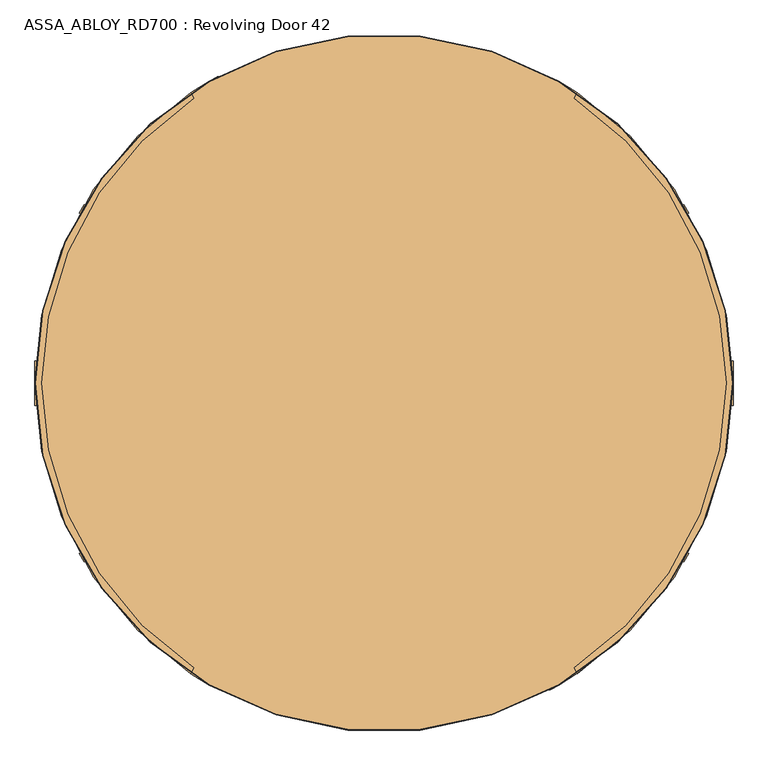
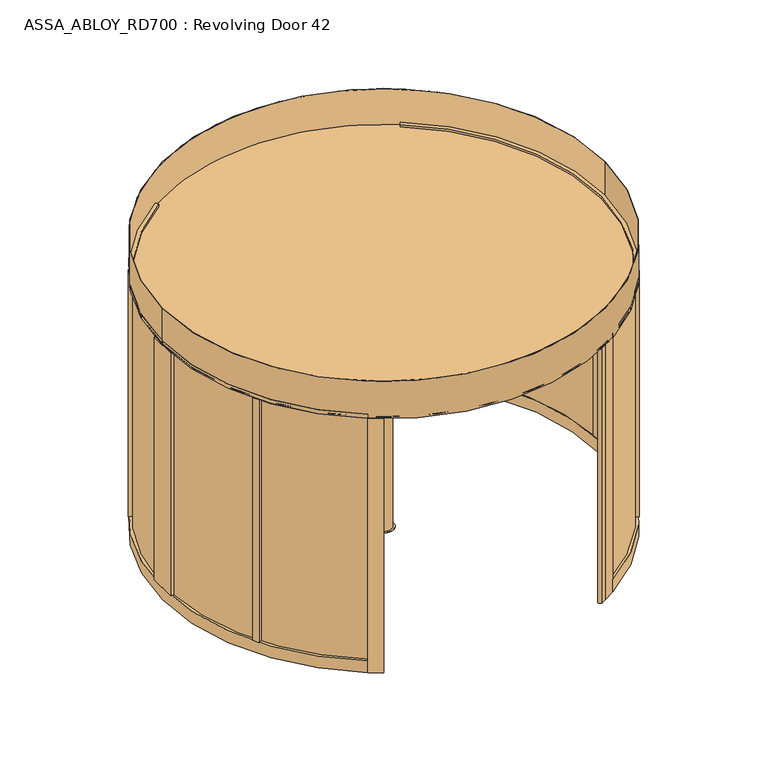
"""IFC4 building model written with IfcOpenShell, lengths in millimetres: door geometry, ASSA_ABLOY_RD700 : Revolving Door 42."""

from ifc_helpers import new_model, si_unit, point, frame, frame_2d, origin, origin_with_axes, origin_2d, place, context, project, spatial, polyline, circle_curve, trimmed, segment, composite_curve, outline, extrude, source, transform, mapped, element, save


def assa_abloy_rd700_revolving_door_42_c0660597(model_context):
    return source(origin(), model_context, "Body", "SweptSolid", [
        extrude(outline(polyline([(-21.1919362, 0.0), (0.0, 0.0), (1.2354289, -3.3526833), (-14.8894584, -17.1035441), (-15.8652682, -14.4554101), (-11.2716326, -10.6269535), (-14.2348715, -2.5853724), (-20.214336, -2.6529929), (-21.1919362, 0.0)]), holes=[polyline([(-11.7626281, -2.5849675), (-9.3848751, -9.0376682), (-1.6611384, -2.5160752), (-11.7626281, -2.5849675)])]), frame((-998.4366379, 1685.342985, 111.8848654), z_axis=(0.8660254037844455, 0.4999999999999883, 0.0), x_axis=(-0.17288098849125008, 0.29943865572958484, 0.9383222555567716)), (0.0, 0.0, 1.0), 2.0),
        extrude(outline(polyline([(-3.5121291, 0.0), (0.0, 0.0), (2.8187321, -2.6852579), (4.250422, -5.1162244), (5.5118808, -7.3434952), (7.3063201, -9.1972245), (9.3614355, -9.1814982), (11.0208469, -7.16163), (10.6514742, -3.4882218), (8.71119, 0.0484616), (6.0403681, 2.6484111), (9.0699595, 3.711135), (11.0920114, 1.0208017), (12.7977466, -2.5981572), (13.1300796, -8.3561656), (9.9996043, -11.7673438), (6.2388816, -11.6844271), (3.0893834, -8.4786223), (1.8238571, -6.2006453), (0.6628891, -4.2207409), (-0.9295188, -2.6144294), (-2.9863484, -2.6252693), (-4.8029446, -4.7524081), (-4.3562346, -8.76362), (-2.4447823, -12.1320668), (0.6567352, -15.0446471), (-2.5145629, -16.157079), (-4.8247981, -13.2083906), (-6.5093631, -9.6341389), (-7.2092232, -6.1919011), (-6.787432, -3.3659463), (-5.4926863, -1.2764387), (-3.5121291, 0.0)])), frame((-986.5717426, 1664.7923835, 100.999973), z_axis=(0.8660254037844455, 0.49999999999998834, 0.0), x_axis=(-0.16550355081008244, 0.286660558836129, 0.9436282629706535)), (0.0, 0.0, 1.0), 2.0),
        extrude(outline(polyline([(-3.5121291, 0.0), (0.0, 0.0), (2.8187321, -2.6852579), (4.250422, -5.1162244), (5.5118808, -7.3434952), (7.3063201, -9.1972245), (9.3614355, -9.1814982), (11.0208469, -7.1616301), (10.6514742, -3.4882218), (8.71119, 0.0484616), (6.0403681, 2.6484111), (9.0699595, 3.711135), (11.0920114, 1.0208017), (12.7977466, -2.5981572), (13.1300796, -8.3561656), (9.9996043, -11.7673438), (6.2388816, -11.6844271), (3.0893834, -8.4786223), (1.8238571, -6.2006453), (0.6628891, -4.2207409), (-0.9295188, -2.6144294), (-2.9863484, -2.6252693), (-4.8029446, -4.7524081), (-4.3562346, -8.76362), (-2.4447823, -12.1320668), (0.6567352, -15.0446471), (-2.5145629, -16.157079), (-4.8247981, -13.2083906), (-6.5093631, -9.6341389), (-7.2092232, -6.1919011), (-6.787432, -3.3659463), (-5.4926863, -1.2764387), (-3.5121291, 0.0)])), frame((-977.1264315, 1648.4326248, 100.999973), z_axis=(0.8660254037844455, 0.49999999999998834, 0.0), x_axis=(-0.16550355081008244, 0.286660558836129, 0.9436282629706535)), (0.0, 0.0, 1.0), 2.0),
        extrude(outline(polyline([(-21.1919362, 0.0), (0.0, 0.0), (1.2354289, -3.3526833), (-14.8894584, -17.1035442), (-15.8652682, -14.4554101), (-11.2716326, -10.6269535), (-14.2348715, -2.5853724), (-20.214336, -2.6529929), (-21.1919362, 0.0)]), holes=[polyline([(-11.7626281, -2.5849675), (-9.3848751, -9.0376682), (-1.6611384, -2.5160752), (-11.7626281, -2.5849675)])]), frame((-970.1007046, 1636.2637089, 111.8848654), z_axis=(0.8660254037844455, 0.4999999999999883, 0.0), x_axis=(-0.17288098849125008, 0.29943865572958484, 0.9383222555567716)), (0.0, 0.0, 1.0), 2.0),
        extrude(outline(polyline([(-21.1919362, 0.0), (0.0, 0.0), (1.2354289, -3.3526833), (-14.8894584, -17.1035441), (-15.8652682, -14.4554101), (-11.2716326, -10.6269535), (-14.2348715, -2.5853724), (-20.214336, -2.6529929), (-21.1919362, 0.0)]), holes=[polyline([(-11.7626281, -2.5849675), (-9.3848751, -9.0376682), (-1.6611384, -2.5160752), (-11.7626281, -2.5849675)])]), frame((-955.8498844, 1611.5805642, 111.8848654), z_axis=(0.8660254037844455, 0.4999999999999883, 0.0), x_axis=(-0.17288098849125008, 0.29943865572958484, 0.9383222555567716)), (0.0, 0.0, 1.0), 2.0),
        extrude(outline(polyline([(-3.6247797, -1e-07), (0.0, 0.0), (2.8147562, -2.4211002), (3.7068839, -0.0321767), (5.7320771, 1.441087), (7.9241126, 1.6554024), (9.8352433, 0.5920774), (11.1479956, -1.1951535), (12.3716711, -4.2930709), (14.3144162, -9.9880649), (-4.5055294, -16.408152), (-6.8194358, -9.6251298), (-7.5842828, -6.2202288), (-7.204982, -3.4426963), (-5.9232413, -1.3859292), (-3.6247797, -1e-07)]), holes=[polyline([(5.2214253, -2.9241787), (4.7734732, -6.6552626), (5.9304264, -10.0467736), (11.2627443, -8.2277489), (10.1960736, -5.1008934), (9.3653605, -2.9303688), (5.2214253, -2.9241787)]), polyline([(-2.8765906, -2.5461079), (-4.3679308, -3.4351118), (-5.1102533, -4.8838352), (-5.1175974, -6.8751818), (-4.336209, -9.7190964), (-3.1658807, -13.1498157), (3.7347661, -10.7957837), (2.347091, -6.7279309), (1.5099769, -4.5787397), (0.5832315, -3.1932876), (-0.9746904, -2.2912471), (-2.8765906, -2.5461079)])]), frame((-943.6574584, 1590.4626629, 101.561824), z_axis=(0.8660254037844455, 0.49999999999998823, 0.0), x_axis=(-0.16143149534181742, 0.2796075518738551, 0.9464457138403736)), (0.0, 0.0, 1.0), 2.0),
        extrude(outline(polyline([(-2.319901, 0.0), (0.0, 0.0), (0.0, -9.9424327), (17.5649644, -9.9424327), (17.5649644, -12.5937481), (-2.319901, -12.5937481), (-2.319901, 0.0)])), frame((-934.9526514, 1575.385495, 94.319901), z_axis=(0.8660254037844455, 0.49999999999998823, 0.0), x_axis=(0.0, 0.0, 1.0)), (0.0, 0.0, 1.0), 2.0),
        extrude(outline(polyline([(-3.4755122, 0.0), (0.0, 0.0), (3.5095377, -1.5864764), (6.1998493, -4.2905332), (7.4345588, -7.5668217), (7.0812776, -11.3109182), (5.1361655, -15.2239686), (2.1257687, -18.4422905), (-1.2097864, -20.048671), (-4.7147757, -20.0502836), (-8.2007386, -18.4707048), (-10.9175762, -15.7640054), (-12.1283676, -12.475947), (-11.7934802, -8.7947164), (-9.8417791, -4.8358203), (-6.8343334, -1.6217536), (-3.4755122, 0.0)]), holes=[polyline([(-7.663169, -6.3468237), (-9.5892894, -12.1951337), (-6.8871209, -16.5585186), (-1.8513939, -17.5618518), (2.9575554, -13.7129652), (4.8960978, -7.8921765), (2.1788995, -3.4868579), (-2.8864763, -2.494471), (-7.663169, -6.3468237)])]), frame((-927.6757746, 1562.7815745, 111.5197917), z_axis=(0.8660254037844455, 0.49999999999998834, 0.0), x_axis=(-0.4108545755708544, 0.711620999410889, 0.5699070721880373)), (0.0, 0.0, 1.0), 2.0),
        extrude(outline(polyline([(-3.1691504, 0.0), (0.0, 0.0), (5.4320896, -8.8964059), (10.9211409, 0.0), (14.0643996, 0.0), (6.7732823, -11.4441543), (6.7732823, -19.8848654), (4.1219669, -19.8848654), (4.1219669, -11.1645234), (-3.1691504, 0.0)])), frame((-917.1494829, 1544.5495024, 111.8848654), z_axis=(0.8660254037844455, 0.49999999999998823, 0.0), x_axis=(-0.49999999999998823, 0.8660254037844455, 0.0)), (0.0, 0.0, 1.0), 2.0),
        extrude(outline(polyline([(21.1919362, 0.0), (20.214336, -2.6529929), (14.2348715, -2.5853724), (11.2716326, -10.6269535), (15.8652682, -14.4554101), (14.8894584, -17.1035441), (-1.2354289, -3.3526833), (0.0, 0.0), (21.1919362, 0.0)]), holes=[polyline([(11.7626281, -2.5849675), (1.6611384, -2.5160752), (9.3848751, -9.0376682), (11.7626281, -2.5849675)])]), frame((-884.9734689, 1572.8190114, 111.8848654), z_axis=(0.8660254037844423, 0.4999999999999939, 0.0), x_axis=(-0.172880988491252, 0.2994386557295837, -0.9383222555567716)), (0.0, 0.0, 1.0), 2.0),
        extrude(outline(polyline([(3.5121291, 0.0), (5.4926863, -1.2764387), (6.787432, -3.3659463), (7.2092232, -6.1919012), (6.5093631, -9.6341389), (4.8247981, -13.2083906), (2.5145629, -16.1570791), (-0.6567353, -15.0446472), (2.4447822, -12.1320668), (4.3562346, -8.76362), (4.8029446, -4.7524082), (2.9863484, -2.6252693), (0.9295188, -2.6144294), (-0.6628891, -4.2207409), (-1.8238571, -6.2006453), (-3.0893834, -8.4786223), (-6.2388815, -11.6844271), (-9.9996043, -11.7673439), (-13.1300796, -8.3561656), (-12.7977466, -2.5981572), (-11.0920114, 1.0208017), (-9.0699595, 3.711135), (-6.0403681, 2.6484111), (-8.71119, 0.0484617), (-10.6514742, -3.4882218), (-11.0208469, -7.1616301), (-9.3614355, -9.1814983), (-7.3063201, -9.1972246), (-5.5118808, -7.3434952), (-4.250422, -5.1162245), (-2.8187321, -2.6852579), (0.0, 0.0), (3.5121291, 0.0)])), frame((-896.8383642, 1593.3696129, 100.999973), z_axis=(0.8660254037844424, 0.49999999999999384, 0.0), x_axis=(-0.16550355081008428, 0.28666055883612795, -0.9436282629706535)), (0.0, 0.0, 1.0), 2.0),
        extrude(outline(polyline([(3.5121291, 0.0), (5.4926863, -1.2764387), (6.787432, -3.3659463), (7.2092232, -6.1919012), (6.5093631, -9.6341389), (4.824798, -13.2083907), (2.5145629, -16.1570791), (-0.6567353, -15.0446472), (2.4447822, -12.1320668), (4.3562346, -8.76362), (4.8029446, -4.7524082), (2.9863484, -2.6252693), (0.9295188, -2.6144294), (-0.6628891, -4.2207409), (-1.8238571, -6.2006453), (-3.0893834, -8.4786223), (-6.2388815, -11.6844271), (-9.9996043, -11.7673439), (-13.1300796, -8.3561656), (-12.7977466, -2.5981572), (-11.0920114, 1.0208016), (-9.0699595, 3.711135), (-6.0403681, 2.6484111), (-8.71119, 0.0484617), (-10.6514742, -3.4882218), (-11.0208469, -7.1616301), (-9.3614355, -9.1814983), (-7.3063201, -9.1972246), (-5.5118808, -7.3434952), (-4.250422, -5.1162245), (-2.8187321, -2.6852579), (0.0, 0.0), (3.5121291, 0.0)])), frame((-906.2836753, 1609.7293716, 100.999973), z_axis=(0.8660254037844424, 0.49999999999999384, 0.0), x_axis=(-0.16550355081008428, 0.28666055883612795, -0.9436282629706535)), (0.0, 0.0, 1.0), 2.0),
        extrude(outline(polyline([(21.1919362, 0.0), (20.214336, -2.6529929), (14.2348715, -2.5853723), (11.2716326, -10.6269535), (15.8652682, -14.4554101), (14.8894584, -17.103544), (-1.2354289, -3.3526833), (0.0, 0.0), (21.1919362, 0.0)]), holes=[polyline([(11.7626281, -2.5849674), (1.6611384, -2.5160752), (9.3848751, -9.0376682), (11.7626281, -2.5849674)])]), frame((-913.3094021, 1621.8982875, 111.8848654), z_axis=(0.8660254037844423, 0.4999999999999939, 0.0), x_axis=(-0.172880988491252, 0.2994386557295837, -0.9383222555567716)), (0.0, 0.0, 1.0), 2.0),
        extrude(outline(polyline([(21.1919362, 0.0), (20.214336, -2.6529929), (14.2348715, -2.5853724), (11.2716326, -10.6269535), (15.8652682, -14.4554101), (14.8894584, -17.1035441), (-1.2354289, -3.3526833), (0.0, 0.0), (21.1919362, 0.0)]), holes=[polyline([(11.7626281, -2.5849675), (1.6611384, -2.5160752), (9.3848751, -9.0376682), (11.7626281, -2.5849675)])]), frame((-927.5602224, 1646.5814322, 111.8848654), z_axis=(0.8660254037844423, 0.4999999999999939, 0.0), x_axis=(-0.172880988491252, 0.2994386557295837, -0.9383222555567716)), (0.0, 0.0, 1.0), 2.0),
        extrude(outline(polyline([(3.6247797, -1e-07), (5.9232413, -1.3859292), (7.204982, -3.4426963), (7.5842828, -6.2202288), (6.8194358, -9.6251298), (4.5055294, -16.4081519), (-14.3144162, -9.9880648), (-12.3716711, -4.2930708), (-11.1479956, -1.1951535), (-9.8352432, 0.5920774), (-7.9241126, 1.6554025), (-5.7320771, 1.441087), (-3.7068839, -0.0321766), (-2.8147562, -2.4211002), (0.0, 0.0), (3.6247797, -1e-07)]), holes=[polyline([(-5.2214253, -2.9241787), (-9.3653605, -2.9303688), (-10.1960736, -5.1008933), (-11.2627443, -8.2277488), (-5.9304264, -10.0467735), (-4.7734732, -6.6552625), (-5.2214253, -2.9241787)]), polyline([(2.8765906, -2.5461079), (0.9746905, -2.291247), (-0.5832315, -3.1932876), (-1.5099769, -4.5787397), (-2.347091, -6.7279308), (-3.734766, -10.7957837), (3.1658807, -13.1498156), (4.3362091, -9.7190964), (5.1175974, -6.8751818), (5.1102534, -4.8838351), (4.3679308, -3.4351117), (2.8765906, -2.5461079)])]), frame((-939.7526483, 1667.6993335, 101.561824), z_axis=(0.8660254037844424, 0.49999999999999384, 0.0), x_axis=(-0.16143149534181922, 0.27960755187385405, -0.9464457138403736)), (0.0, 0.0, 1.0), 2.0),
        extrude(outline(polyline([(2.319901, 0.0), (2.319901, -12.5937481), (-17.5649644, -12.5937481), (-17.5649644, -9.9424327), (0.0, -9.9424327), (0.0, 0.0), (2.319901, 0.0)])), frame((-948.4574553, 1682.7765014, 94.319901), z_axis=(0.8660254037844423, 0.49999999999999384, 0.0), x_axis=(0.0, 0.0, -1.0)), (0.0, 0.0, 1.0), 2.0),
        extrude(outline(polyline([(3.4755122, 0.0), (6.8343334, -1.6217536), (9.8417791, -4.8358203), (11.7934802, -8.7947164), (12.1283676, -12.475947), (10.9175762, -15.7640054), (8.2007386, -18.4707048), (4.7147757, -20.0502836), (1.2097864, -20.048671), (-2.1257687, -18.4422905), (-5.1361655, -15.2239686), (-7.0812776, -11.3109182), (-7.4345587, -7.5668217), (-6.1998493, -4.2905332), (-3.5095377, -1.5864764), (0.0, 0.0), (3.4755122, 0.0)]), holes=[polyline([(7.663169, -6.3468237), (2.8864763, -2.494471), (-2.1788995, -3.4868579), (-4.8960978, -7.8921765), (-2.9575554, -13.7129652), (1.8513939, -17.5618518), (6.8871209, -16.5585186), (9.5892893, -12.1951337), (7.663169, -6.3468237)])]), frame((-955.7343322, 1695.3804219, 111.5197917), z_axis=(0.8660254037844421, 0.49999999999999384, 0.0), x_axis=(-0.410854575570859, 0.7116209994108863, -0.5699070721880373)), (0.0, 0.0, 1.0), 2.0),
        extrude(outline(polyline([(3.1691504, 0.0), (-4.1219669, -11.1645234), (-4.1219669, -19.8848654), (-6.7732822, -19.8848654), (-6.7732822, -11.4441543), (-14.0643996, 0.0), (-10.921141, 0.0), (-5.4320896, -8.8964059), (0.0, 0.0), (3.1691504, 0.0)])), frame((-966.2606239, 1713.612494, 111.8848654), z_axis=(0.8660254037844423, 0.49999999999999384, 0.0), x_axis=(-0.49999999999999384, 0.8660254037844423, 0.0)), (0.0, 0.0, 1.0), 2.0),
        extrude(outline(polyline([(26.6515221, 0.0), (0.0, 0.0), (0.0, -39.5498894), (-13.9731118, -39.4978266), (-35.4734857, -27.0878672), (-65.7800894, 7.1605958), (-57.4313185, 25.5557642), (-24.0034278, 19.9844491), (26.6515221, 0.0)])), frame((-412.8205081, 675.0260944, 42.0), z_axis=(-0.4999999999999939, 0.8660254037844421, 0.0), x_axis=(0.8660254037844421, 0.4999999999999939, 0.0)), (0.0, 0.0, 1.0), 1259.0),
        extrude(outline(polyline([(33.1204549, 0.0), (0.0, 0.0), (0.0, -37.4557851), (-13.0431775, -37.4022447), (-28.8456008, -22.8930528), (-37.5120241, -2.8258245), (-41.1595702, 16.5838424), (-29.2477892, 28.4956234), (33.1204549, 0.0)])), frame((-56.3205081, 57.5499815, 42.0), z_axis=(-0.4999999999999939, 0.8660254037844421, 0.0), x_axis=(0.8660254037844421, 0.4999999999999939, 0.0)), (0.0, 0.0, 1.0), 713.0),
        extrude(outline(polyline([(-1019.2396129, 1778.6778388), (-1042.3205081, 1765.3520778), (-1022.5455634, 1731.1008688), (-1034.6726646, 1724.1594005), (-1059.4975143, 1724.1565537), (-1102.8680345, 1738.663291), (-1104.835371, 1758.7683595), (-1073.1003109, 1770.6574044), (-1019.2396129, 1778.6778388)])), origin_with_axes(), (0.0, 0.0, 1.0), 2600.0),
        extrude(outline(composite_curve([segment(polyline([(-1050.0, 1818.6533479), (-1070.0, 1853.2943641)]), True, "CONTINUOUS"), segment(trimmed(circle_curve(origin_2d(), 2140.0), [point((-1070.0, 1853.2943641))], [point((-1026.4066339, 1877.7884391))], False, "CARTESIAN"), True, "CONTINUOUS"), segment(trimmed(circle_curve(frame_2d((-1016.8087591, 1860.2293376)), 20.011028), [point((-1026.4066339, 1877.7884391))], [point((-1006.4010686, 1843.1377836))], False, "CARTESIAN"), True, "CONTINUOUS"), segment(trimmed(circle_curve(origin_2d(), 2100.0), [point((-1006.4010686, 1843.1377836))], [point((-1050.0, 1818.6533479))], True, "CARTESIAN"), True, "CONTINUOUS")], self_intersect=False)), origin_with_axes(), (0.0, 0.0, 1.0), 2600.0),
        extrude(outline(composite_curve([segment(polyline([(1050.0, -1818.6533479), (1070.0, -1853.2943641)]), True, "CONTINUOUS"), segment(trimmed(circle_curve(origin_2d(), 2140.0), [point((1070.0, -1853.2943641))], [point((1026.4066339, -1877.7884391))], False, "CARTESIAN"), True, "CONTINUOUS"), segment(trimmed(circle_curve(frame_2d((1016.8087591, -1860.2293376)), 20.011028), [point((1026.4066339, -1877.7884391))], [point((1006.4010686, -1843.1377836))], False, "CARTESIAN"), True, "CONTINUOUS"), segment(trimmed(circle_curve(origin_2d(), 2100.0), [point((1006.4010686, -1843.1377836))], [point((1050.0, -1818.6533479))], True, "CARTESIAN"), True, "CONTINUOUS")], self_intersect=False)), origin_with_axes(), (0.0, 0.0, 1.0), 2600.0),
        extrude(outline(composite_curve([segment(trimmed(circle_curve(origin_2d(), 2126.0), [point((-2126.0, 0.0))], [point((2126.0, 0.0))], False, "CARTESIAN"), True, "CONTINUOUS"), segment(trimmed(circle_curve(origin_2d(), 2126.0), [point((2126.0, 0.0))], [point((-2126.0, 0.0))], False, "CARTESIAN"), True, "CONTINUOUS")], self_intersect=False)), frame((0.0, 0.0, 2600.0), z_axis=(0.0, 0.0, 1.0), x_axis=(1.0, 0.0, 0.0)), (0.0, 0.0, 1.0), 16.0),
        extrude(outline(composite_curve([segment(polyline([(-1185.6165211, 1781.3414775), (-1165.5752365, 1746.6289543)]), True, "CONTINUOUS"), segment(trimmed(circle_curve(frame_2d((0.0, -0.2065754)), 2100.0), [point((-1165.5752365, 1746.6289543))], [point((-1165.5752365, -1747.0421051))], True, "CARTESIAN"), True, "CONTINUOUS"), segment(polyline([(-1165.5752365, -1747.0421051), (-1185.6165211, -1781.7546283)]), True, "CONTINUOUS"), segment(trimmed(circle_curve(frame_2d((0.0, -0.2065754)), 2140.0), [point((-1185.6165211, -1781.7546283))], [point((-1185.6165211, 1781.3414775))], False, "CARTESIAN"), True, "CONTINUOUS")], self_intersect=False)), frame((0.0, 0.0, 2603.0), z_axis=(0.0, 0.0, 1.0), x_axis=(1.0, 0.0, 0.0)), (0.0, 0.0, 1.0), 40.0),
        extrude(outline(composite_curve([segment(polyline([(-1185.6165211, -1781.7546283), (-1165.5752365, -1747.0421051)]), True, "CONTINUOUS"), segment(trimmed(circle_curve(frame_2d((0.0, -0.2065754)), 2100.0), [point((-1165.5752365, -1747.0421051))], [point((-1050.0, -1818.8599234))], True, "CARTESIAN"), True, "CONTINUOUS"), segment(polyline([(-1050.0, -1818.8599234), (-1070.0, -1853.5009395)]), True, "CONTINUOUS"), segment(trimmed(circle_curve(frame_2d((0.0, -0.2065754)), 2140.0), [point((-1070.0, -1853.5009395))], [point((-1185.6165211, -1781.7546283))], False, "CARTESIAN"), True, "CONTINUOUS")], self_intersect=False)), frame((0.0, 0.0, 3.0), z_axis=(0.0, 0.0, 1.0), x_axis=(1.0, 0.0, 0.0)), (0.0, 0.0, 1.0), 2600.0),
        extrude(outline(composite_curve([segment(polyline([(-1070.0, 1853.0877887), (-1050.0, 1818.4467725)]), True, "CONTINUOUS"), segment(trimmed(circle_curve(frame_2d((0.0, -0.2065754)), 2100.0), [point((-1050.0, 1818.4467725))], [point((-1165.5752365, 1746.6289543))], True, "CARTESIAN"), True, "CONTINUOUS"), segment(polyline([(-1165.5752365, 1746.6289543), (-1185.6165211, 1781.3414775)]), True, "CONTINUOUS"), segment(trimmed(circle_curve(frame_2d((0.0, -0.2065754)), 2140.0), [point((-1185.6165211, 1781.3414775))], [point((-1070.0, 1853.0877887))], False, "CARTESIAN"), True, "CONTINUOUS")], self_intersect=False)), frame((0.0, 0.0, 3.0), z_axis=(0.0, 0.0, 1.0), x_axis=(1.0, 0.0, 0.0)), (0.0, 0.0, 1.0), 2600.0),
        extrude(outline(composite_curve([segment(polyline([(-2108.6187422, -136.2065754), (-2100.6020566, -136.2065754)]), True, "CONTINUOUS"), segment(trimmed(circle_curve(frame_2d((0.0, -0.2065754)), 2105.0), [point((-2100.6020566, -136.2065754))], [point((-1168.0804832, -1751.3813196))], True, "CARTESIAN"), True, "CONTINUOUS"), segment(polyline([(-1168.0804832, -1751.3813196), (-1172.088826, -1758.3239731)]), True, "CONTINUOUS"), segment(trimmed(circle_curve(frame_2d((0.0, -0.2065754)), 2113.0), [point((-1172.088826, -1758.3239731))], [point((-2108.6187422, -136.2065754))], False, "CARTESIAN"), True, "CONTINUOUS")], self_intersect=False)), frame((0.0, 0.0, 123.0), z_axis=(0.0, 0.0, 1.0), x_axis=(1.0, 0.0, 0.0)), (0.0, 0.0, 1.0), 2480.0),
        extrude(outline(composite_curve([segment(polyline([(-1172.088826, 1757.9108222), (-1168.0804832, 1750.9681688)]), True, "CONTINUOUS"), segment(trimmed(circle_curve(frame_2d((0.0, -0.2065754)), 2105.0), [point((-1168.0804832, 1750.9681688))], [point((-2100.6020566, 135.7934246))], True, "CARTESIAN"), True, "CONTINUOUS"), segment(polyline([(-2100.6020566, 135.7934246), (-2108.6187422, 135.7934246)]), True, "CONTINUOUS"), segment(trimmed(circle_curve(frame_2d((0.0, -0.2065754)), 2113.0), [point((-2108.6187422, 135.7934246))], [point((-1172.088826, 1757.9108222))], False, "CARTESIAN"), True, "CONTINUOUS")], self_intersect=False)), frame((0.0, 0.0, 123.0), z_axis=(0.0, 0.0, 1.0), x_axis=(1.0, 0.0, 0.0)), (0.0, 0.0, 1.0), 2480.0),
        extrude(outline(polyline([(-2140.0, -136.2065754), (-2140.0, 135.7934246), (-2100.0, 135.7934246), (-2100.0, -136.2065754), (-2140.0, -136.2065754)])), frame((0.0, 0.0, 123.0), z_axis=(0.0, 0.0, 1.0), x_axis=(1.0, 0.0, 0.0)), (0.0, 0.0, 1.0), 2480.0),
        extrude(outline(composite_curve([segment(polyline([(-1185.6165211, 1781.3414775), (-1165.5752365, 1746.6289543)]), True, "CONTINUOUS"), segment(trimmed(circle_curve(frame_2d((0.0, -0.2065754)), 2100.0), [point((-1165.5752365, 1746.6289543))], [point((-1165.5752365, -1747.0421051))], True, "CARTESIAN"), True, "CONTINUOUS"), segment(polyline([(-1165.5752365, -1747.0421051), (-1185.6165211, -1781.7546283)]), True, "CONTINUOUS"), segment(trimmed(circle_curve(frame_2d((0.0, -0.2065754)), 2140.0), [point((-1185.6165211, -1781.7546283))], [point((-1185.6165211, 1781.3414775))], False, "CARTESIAN"), True, "CONTINUOUS")], self_intersect=False)), frame((0.0, 0.0, 3.0), z_axis=(0.0, 0.0, 1.0), x_axis=(1.0, 0.0, 0.0)), (0.0, 0.0, 1.0), 120.0),
        extrude(outline(composite_curve([segment(trimmed(circle_curve(frame_2d((0.0, -0.2065754)), 2140.0), [point((-1838.112247, -1096.0821922))], [point((-1868.112247, -1044.1206679))], False, "CARTESIAN"), True, "CONTINUOUS"), segment(polyline([(-1868.112247, -1044.1206679), (-1833.4677616, -1024.118665)]), True, "CONTINUOUS"), segment(trimmed(circle_curve(frame_2d((0.0, -0.2065754)), 2100.0), [point((-1833.4677616, -1024.118665))], [point((-1803.4677616, -1076.0801892))], True, "CARTESIAN"), True, "CONTINUOUS"), segment(polyline([(-1803.4677616, -1076.0801892), (-1838.112247, -1096.0821922)]), True, "CONTINUOUS")], self_intersect=False)), frame((0.0, 0.0, 123.0), z_axis=(0.0, 0.0, 1.0), x_axis=(1.0, 0.0, 0.0)), (0.0, 0.0, 1.0), 2480.0),
        extrude(outline(composite_curve([segment(polyline([(-1838.112247, 1095.6690414), (-1803.4677616, 1075.6670384)]), True, "CONTINUOUS"), segment(trimmed(circle_curve(frame_2d((0.0, -0.2065754)), 2100.0), [point((-1803.4677616, 1075.6670384))], [point((-1833.4677616, 1023.7055142))], True, "CARTESIAN"), True, "CONTINUOUS"), segment(polyline([(-1833.4677616, 1023.7055142), (-1868.112247, 1043.7075171)]), True, "CONTINUOUS"), segment(trimmed(circle_curve(frame_2d((0.0, -0.2065754)), 2140.0), [point((-1868.112247, 1043.7075171))], [point((-1838.112247, 1095.6690414))], False, "CARTESIAN"), True, "CONTINUOUS")], self_intersect=False)), frame((0.0, 0.0, 123.0), z_axis=(0.0, 0.0, 1.0), x_axis=(1.0, 0.0, 0.0)), (0.0, 0.0, 1.0), 2480.0),
        extrude(outline(composite_curve([segment(trimmed(circle_curve(origin_2d(), 2140.0), [point((1185.6165211, 1781.5480529))], [point((1185.6165211, -1781.5480529))], False, "CARTESIAN"), True, "CONTINUOUS"), segment(polyline([(1185.6165211, -1781.5480529), (1165.5752365, -1746.8355297)]), True, "CONTINUOUS"), segment(trimmed(circle_curve(origin_2d(), 2100.0), [point((1165.5752365, -1746.8355297))], [point((1165.5752365, 1746.8355297))], True, "CARTESIAN"), True, "CONTINUOUS"), segment(polyline([(1165.5752365, 1746.8355297), (1185.6165211, 1781.5480529)]), True, "CONTINUOUS")], self_intersect=False)), frame((0.0, 0.0, 2600.0), z_axis=(0.0, 0.0, 1.0), x_axis=(1.0, 0.0, 0.0)), (0.0, 0.0, 1.0), 40.0),
        extrude(outline(composite_curve([segment(trimmed(circle_curve(origin_2d(), 2140.0), [point((1185.6165211, -1781.5480529))], [point((1070.0, -1853.2943641))], False, "CARTESIAN"), True, "CONTINUOUS"), segment(polyline([(1070.0, -1853.2943641), (1050.0, -1818.6533479)]), True, "CONTINUOUS"), segment(trimmed(circle_curve(origin_2d(), 2100.0), [point((1050.0, -1818.6533479))], [point((1165.5752365, -1746.8355297))], True, "CARTESIAN"), True, "CONTINUOUS"), segment(polyline([(1165.5752365, -1746.8355297), (1185.6165211, -1781.5480529)]), True, "CONTINUOUS")], self_intersect=False)), origin_with_axes(), (0.0, 0.0, 1.0), 2600.0),
        extrude(outline(composite_curve([segment(trimmed(circle_curve(origin_2d(), 2140.0), [point((1070.0, 1853.2943641))], [point((1185.6165211, 1781.5480529))], False, "CARTESIAN"), True, "CONTINUOUS"), segment(polyline([(1185.6165211, 1781.5480529), (1165.5752365, 1746.8355297)]), True, "CONTINUOUS"), segment(trimmed(circle_curve(origin_2d(), 2100.0), [point((1165.5752365, 1746.8355297))], [point((1050.0, 1818.6533479))], True, "CARTESIAN"), True, "CONTINUOUS"), segment(polyline([(1050.0, 1818.6533479), (1070.0, 1853.2943641)]), True, "CONTINUOUS")], self_intersect=False)), origin_with_axes(), (0.0, 0.0, 1.0), 2600.0),
        extrude(outline(composite_curve([segment(trimmed(circle_curve(origin_2d(), 2113.0), [point((2108.6187422, -136.0))], [point((1172.088826, -1758.1173977))], False, "CARTESIAN"), True, "CONTINUOUS"), segment(polyline([(1172.088826, -1758.1173977), (1168.0804832, -1751.1747442)]), True, "CONTINUOUS"), segment(trimmed(circle_curve(origin_2d(), 2105.0), [point((1168.0804832, -1751.1747442))], [point((2100.6020566, -136.0))], True, "CARTESIAN"), True, "CONTINUOUS"), segment(polyline([(2100.6020566, -136.0), (2108.6187422, -136.0)]), True, "CONTINUOUS")], self_intersect=False)), frame((0.0, 0.0, 120.0), z_axis=(0.0, 0.0, 1.0), x_axis=(1.0, 0.0, 0.0)), (0.0, 0.0, 1.0), 2480.0),
        extrude(outline(composite_curve([segment(trimmed(circle_curve(origin_2d(), 2113.0), [point((1172.088826, 1758.1173976))], [point((2108.6187422, 136.0))], False, "CARTESIAN"), True, "CONTINUOUS"), segment(polyline([(2108.6187422, 136.0), (2100.6020566, 136.0)]), True, "CONTINUOUS"), segment(trimmed(circle_curve(origin_2d(), 2105.0), [point((2100.6020566, 136.0))], [point((1168.0804832, 1751.1747442))], True, "CARTESIAN"), True, "CONTINUOUS"), segment(polyline([(1168.0804832, 1751.1747442), (1172.088826, 1758.1173976)]), True, "CONTINUOUS")], self_intersect=False)), frame((0.0, 0.0, 120.0), z_axis=(0.0, 0.0, 1.0), x_axis=(1.0, 0.0, 0.0)), (0.0, 0.0, 1.0), 2480.0),
        extrude(outline(polyline([(2140.0, -136.0), (2100.0, -136.0), (2100.0, 136.0), (2140.0, 136.0), (2140.0, -136.0)])), frame((0.0, 0.0, 120.0), z_axis=(0.0, 0.0, 1.0), x_axis=(1.0, 0.0, 0.0)), (0.0, 0.0, 1.0), 2480.0),
        extrude(outline(composite_curve([segment(trimmed(circle_curve(origin_2d(), 2140.0), [point((1185.6165211, 1781.5480529))], [point((1185.6165211, -1781.5480529))], False, "CARTESIAN"), True, "CONTINUOUS"), segment(polyline([(1185.6165211, -1781.5480529), (1165.5752365, -1746.8355297)]), True, "CONTINUOUS"), segment(trimmed(circle_curve(origin_2d(), 2100.0), [point((1165.5752365, -1746.8355297))], [point((1165.5752365, 1746.8355297))], True, "CARTESIAN"), True, "CONTINUOUS"), segment(polyline([(1165.5752365, 1746.8355297), (1185.6165211, 1781.5480529)]), True, "CONTINUOUS")], self_intersect=False)), origin_with_axes(), (0.0, 0.0, 1.0), 120.0),
        extrude(outline(composite_curve([segment(polyline([(1838.112247, -1095.8756168), (1803.4677616, -1075.8736138)]), True, "CONTINUOUS"), segment(trimmed(circle_curve(origin_2d(), 2100.0), [point((1803.4677616, -1075.8736138))], [point((1833.4677616, -1023.9120896))], True, "CARTESIAN"), True, "CONTINUOUS"), segment(polyline([(1833.4677616, -1023.9120896), (1868.112247, -1043.9140925)]), True, "CONTINUOUS"), segment(trimmed(circle_curve(origin_2d(), 2140.0), [point((1868.112247, -1043.9140925))], [point((1838.112247, -1095.8756168))], False, "CARTESIAN"), True, "CONTINUOUS")], self_intersect=False)), frame((0.0, 0.0, 120.0), z_axis=(0.0, 0.0, 1.0), x_axis=(1.0, 0.0, 0.0)), (0.0, 0.0, 1.0), 2480.0),
        extrude(outline(composite_curve([segment(trimmed(circle_curve(origin_2d(), 2140.0), [point((1838.112247, 1095.8756168))], [point((1868.112247, 1043.9140925))], False, "CARTESIAN"), True, "CONTINUOUS"), segment(polyline([(1868.112247, 1043.9140925), (1833.4677616, 1023.9120896)]), True, "CONTINUOUS"), segment(trimmed(circle_curve(origin_2d(), 2100.0), [point((1833.4677616, 1023.9120896))], [point((1803.4677616, 1075.8736138))], True, "CARTESIAN"), True, "CONTINUOUS"), segment(polyline([(1803.4677616, 1075.8736138), (1838.112247, 1095.8756168)]), True, "CONTINUOUS")], self_intersect=False)), frame((0.0, 0.0, 120.0), z_axis=(0.0, 0.0, 1.0), x_axis=(1.0, 0.0, 0.0)), (0.0, 0.0, 1.0), 2480.0),
        extrude(outline(composite_curve([segment(trimmed(circle_curve(origin_2d(), 2140.0), [point((-2140.0, 0.0))], [point((2140.0, 0.0))], False, "CARTESIAN"), True, "CONTINUOUS"), segment(trimmed(circle_curve(origin_2d(), 2140.0), [point((2140.0, 0.0))], [point((-2140.0, 0.0))], False, "CARTESIAN"), True, "CONTINUOUS")], self_intersect=False), holes=[composite_curve([segment(trimmed(circle_curve(origin_2d(), 2136.0), [point((-2136.0, 0.0))], [point((2136.0, 0.0))], True, "CARTESIAN"), True, "CONTINUOUS"), segment(trimmed(circle_curve(origin_2d(), 2136.0), [point((2136.0, 0.0))], [point((-2136.0, 0.0))], True, "CARTESIAN"), True, "CONTINUOUS")], self_intersect=False)]), frame((0.0, 0.0, 2600.0), z_axis=(0.0, 0.0, 1.0), x_axis=(1.0, 0.0, 0.0)), (0.0, 0.0, 1.0), 380.0),
        extrude(outline(composite_curve([segment(trimmed(circle_curve(origin_2d(), 2140.0), [point((-2140.0, 0.0))], [point((2140.0, 0.0))], False, "CARTESIAN"), True, "CONTINUOUS"), segment(trimmed(circle_curve(origin_2d(), 2140.0), [point((2140.0, 0.0))], [point((-2140.0, 0.0))], False, "CARTESIAN"), True, "CONTINUOUS")], self_intersect=False)), frame((0.0, 0.0, 2600.0), z_axis=(0.0, 0.0, 1.0), x_axis=(1.0, 0.0, 0.0)), (0.0, 0.0, 1.0), 18.0),
        extrude(outline(composite_curve([segment(trimmed(circle_curve(origin_2d(), 75.0), [point((-75.0, 0.0))], [point((75.0, 0.0))], False, "CARTESIAN"), True, "CONTINUOUS"), segment(trimmed(circle_curve(origin_2d(), 75.0), [point((75.0, 0.0))], [point((-75.0, 0.0))], False, "CARTESIAN"), True, "CONTINUOUS")], self_intersect=False)), origin_with_axes(), (0.0, 0.0, 1.0), 2600.0),
        extrude(outline(composite_curve([segment(trimmed(circle_curve(origin_2d(), 94.0), [point((-94.0, 0.0))], [point((94.0, 0.0))], False, "CARTESIAN"), True, "CONTINUOUS"), segment(trimmed(circle_curve(origin_2d(), 94.0), [point((94.0, 0.0))], [point((-94.0, 0.0))], False, "CARTESIAN"), True, "CONTINUOUS")], self_intersect=False)), origin_with_axes(), (0.0, 0.0, 1.0), 3.0),
    ])


if __name__ == "__main__":
    model = new_model("IFC4")
    model_context = context("Model", 3, world=origin())
    ifc_project = project(units=[si_unit("LENGTHUNIT", "METRE", prefix="MILLI")], contexts=[model_context])
    site = spatial("IfcSite", under=ifc_project)
    building = spatial("IfcBuilding", under=site)
    placement = place(None, origin())
    assa_abloy_rd700_revolving_door_42_shape = assa_abloy_rd700_revolving_door_42_c0660597(model_context)
    element("IfcDoor", 1, ObjectType="ASSA_ABLOY_RD700 : Revolving Door 42", at=placement, inside=building, context=model_context, shape_type="MappedRepresentation", body=[
        mapped(assa_abloy_rd700_revolving_door_42_shape, transform((0.0, 0.0, 0.0), x_axis=(1.0, 0.0, 0.0), y_axis=(0.0, 1.0, 0.0), z_axis=(0.0, 0.0, 1.0))),
    ])
    save(model, "model.ifc")
